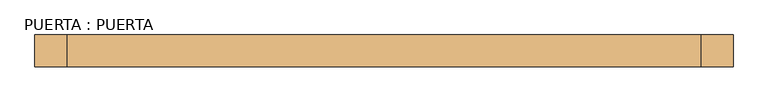
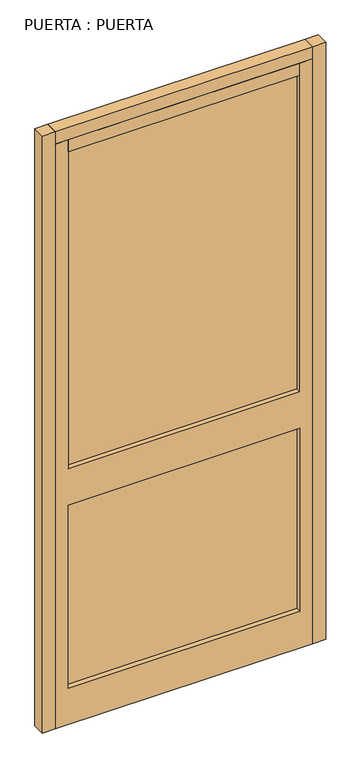
"""IFC4 building model written with IfcOpenShell, lengths in millimetres: door geometry, PUERTA : PUERTA."""

from ifc_helpers import new_model, si_unit, frame, origin, origin_with_axes, place, context, project, spatial, polyline, outline, extrude, source, transform, mapped, element, save


def puerta_puerta_adeb43b5(model_context):
    return source(origin(), model_context, "Body", "SweptSolid", [
        extrude(outline(polyline([(-750.0, 105.0), (-750.0, 95.0), (-1650.0, 95.0), (-1650.0, 105.0), (-750.0, 105.0)])), frame((0.0, 0.0, 150.0), z_axis=(0.0, 0.0, 1.0), x_axis=(1.0, 0.0, 0.0)), (0.0, 0.0, 1.0), 750.0),
        extrude(outline(polyline([(-750.0, 105.0), (-750.0, 95.0), (-1650.0, 95.0), (-1650.0, 105.0), (-750.0, 105.0)])), frame((0.0, 0.0, 1050.0), z_axis=(0.0, 0.0, 1.0), x_axis=(1.0, 0.0, 0.0)), (0.0, 0.0, 1.0), 1300.0),
        extrude(outline(polyline([(-1700.0, 125.0), (-1700.0, 75.0), (-1750.0, 75.0), (-1750.0, 125.0), (-1700.0, 125.0)])), origin_with_axes(), (0.0, 0.0, 1.0), 2450.0),
        extrude(outline(polyline([(-650.0, 125.0), (-650.0, 75.0), (-700.0, 75.0), (-700.0, 125.0), (-650.0, 125.0)])), origin_with_axes(), (0.0, 0.0, 1.0), 2450.0),
        extrude(outline(polyline([(0.0, -700.0), (2400.0, -700.0), (2400.0, -750.0), (1050.0, -750.0), (1050.0, -1650.0), (2400.0, -1650.0), (2400.0, -1700.0), (0.0, -1700.0), (0.0, -700.0)]), holes=[polyline([(900.0, -750.0), (150.0, -750.0), (150.0, -1650.0), (900.0, -1650.0), (900.0, -750.0)])]), frame((0.0, 75.0, 0.0), z_axis=(0.0, 1.0, 0.0), x_axis=(0.0, 0.0, 1.0)), (0.0, 0.0, 1.0), 50.0),
        extrude(outline(polyline([(-750.0, 125.0), (-750.0, 75.0), (-1650.0, 75.0), (-1650.0, 125.0), (-750.0, 125.0)])), frame((0.0, 0.0, 2350.0), z_axis=(0.0, 0.0, 1.0), x_axis=(1.0, 0.0, 0.0)), (0.0, 0.0, 1.0), 50.0),
        extrude(outline(polyline([(-700.0, 125.0), (-700.0, 75.0), (-1700.0, 75.0), (-1700.0, 125.0), (-700.0, 125.0)])), frame((0.0, 0.0, 2400.0), z_axis=(0.0, 0.0, 1.0), x_axis=(1.0, 0.0, 0.0)), (0.0, 0.0, 1.0), 50.0),
    ])


if __name__ == "__main__":
    model = new_model("IFC4")
    model_context = context("Model", 3, world=origin())
    ifc_project = project(units=[si_unit("LENGTHUNIT", "METRE", prefix="MILLI")], contexts=[model_context])
    site = spatial("IfcSite", under=ifc_project)
    building = spatial("IfcBuilding", under=site)
    placement = place(None, origin())
    puerta_puerta_shape = puerta_puerta_adeb43b5(model_context)
    element("IfcDoor", 1, ObjectType="PUERTA : PUERTA", at=placement, inside=building, context=model_context, shape_type="MappedRepresentation", body=[
        mapped(puerta_puerta_shape, transform((0.0, 0.0, 0.0), x_axis=(1.0, 0.0, 0.0), y_axis=(0.0, 1.0, 0.0), z_axis=(0.0, 0.0, 1.0))),
    ])
    save(model, "model.ifc")
